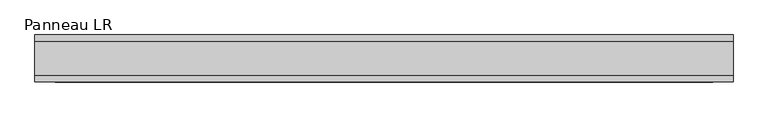
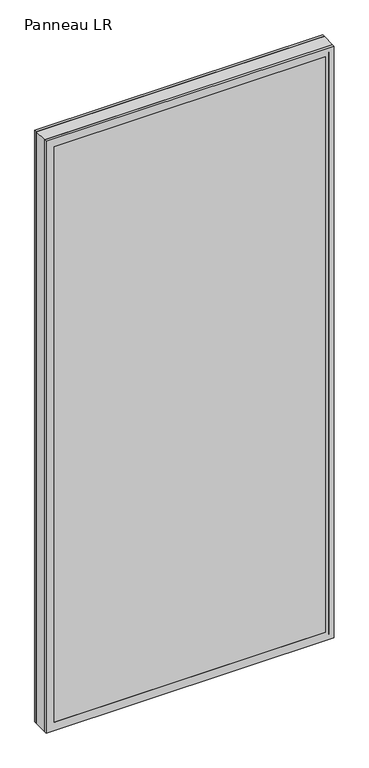
"""IFC4 building model written with IfcOpenShell, lengths in millimetres: plate geometry, Panneau LR."""

from ifc_helpers import new_model, si_unit, frame, origin, place, context, project, spatial, polyline, outline, extrude, faceted_brep, source, transform, mapped, element, save


def panneau_lr_4eda51ce(model_context):
    return source(origin(), model_context, "Body", "SolidModel", [
        faceted_brep([(-670.6250001, 33.0, 2910.0), (-670.6250001, 45.0, 2910.0), (-670.6250001, 45.0, 0.0), (-670.6250001, 33.0, 0.0), (670.6250001, 33.0, 0.0), (670.6250001, 45.0, 0.0), (670.6250001, 45.0, 2910.0), (670.6250001, 33.0, 2910.0), (-631.6250001, 45.0, 2871.0), (-631.6250001, 45.0, 39.0), (631.6250001, 45.0, 39.0), (631.6250001, 45.0, 2871.0), (631.6250001, 43.8, 2871.0), (-631.6250001, 43.8, 2871.0), (-646.6250001, 43.8, 2886.0), (-646.6250001, 43.8, 24.0), (646.6250001, 43.8, 24.0), (646.6250001, 43.8, 2886.0), (631.6250001, 43.8, 39.0), (-631.6250001, 43.8, 39.0), (646.6250001, 33.0, 2886.0), (-646.6250001, 33.0, 2886.0), (646.6250001, 33.0, 24.0), (-646.6250001, 33.0, 24.0)], [[[0, 1, 2, 3]], [[4, 5, 6, 7]], [[6, 1, 0, 7]], [[2, 1, 6, 5], [8, 9, 10, 11]], [[8, 11, 12, 13]], [[14, 15, 16, 17], [13, 12, 18, 19]], [[14, 17, 20, 21]], [[0, 3, 4, 7], [20, 22, 23, 21]], [[23, 22, 16, 15]], [[19, 18, 10, 9]], [[4, 3, 2, 5]], [[21, 23, 15, 14]], [[13, 19, 9, 8]], [[18, 12, 11, 10]], [[22, 20, 17, 16]]]),
        faceted_brep([(-670.6250001, -33.0, 0.0), (-670.6250001, -45.0, 0.0), (-670.6250001, -45.0, 2910.0), (-670.6250001, -33.0, 2910.0), (670.6250001, -45.0, 0.0), (670.6250001, -33.0, 0.0), (670.6250001, -33.0, 2910.0), (670.6250001, -45.0, 2910.0), (631.6250001, -45.0, 2871.0), (631.6250001, -45.0, 39.0), (-631.6250001, -45.0, 39.0), (-631.6250001, -45.0, 2871.0), (-646.6250001, -33.0, 2886.0), (-646.6250001, -33.0, 24.0), (646.6250001, -33.0, 24.0), (646.6250001, -33.0, 2886.0), (646.6250001, -43.8, 2886.0), (-646.6250001, -43.8, 2886.0), (646.6250001, -43.8, 24.0), (-646.6250001, -43.8, 24.0), (-631.6250001, -43.8, 2871.0), (-631.6250001, -43.8, 39.0), (631.6250001, -43.8, 39.0), (631.6250001, -43.8, 2871.0)], [[[0, 1, 2, 3]], [[4, 5, 6, 7]], [[2, 1, 4, 7], [8, 9, 10, 11]], [[6, 3, 2, 7]], [[0, 3, 6, 5], [12, 13, 14, 15]], [[12, 15, 16, 17]], [[17, 16, 18, 19], [20, 21, 22, 23]], [[8, 11, 20, 23]], [[10, 9, 22, 21]], [[19, 18, 14, 13]], [[4, 1, 0, 5]], [[11, 10, 21, 20]], [[17, 19, 13, 12]], [[18, 16, 15, 14]], [[9, 8, 23, 22]]]),
        extrude(outline(polyline([(2910.0, 670.6250001), (2910.0, -670.6250001), (0.0, -670.6250001), (0.0, 670.6250001), (2910.0, 670.6250001)]), holes=[polyline([(46.0, -630.6250001), (2864.0, -630.6250001), (2864.0, 630.6250001), (46.0, 630.6250001), (46.0, -630.6250001)])]), frame((0.0, -33.0, 0.0), z_axis=(0.0, 1.0, 0.0), x_axis=(0.0, 0.0, 1.0)), (0.0, 0.0, 1.0), 66.0),
        extrude(outline(polyline([(646.6250001, 37.8), (-646.6250001, 37.8), (-646.6250001, 43.8), (646.6250001, 43.8), (646.6250001, 37.8)])), frame((0.0, 0.0, 24.0), z_axis=(0.0, 0.0, 1.0), x_axis=(1.0, 0.0, 0.0)), (0.0, 0.0, 1.0), 2862.0),
        extrude(outline(polyline([(-646.6250001, -43.8), (-646.6250001, -37.8), (646.6250001, -37.8), (646.6250001, -43.8), (-646.6250001, -43.8)])), frame((0.0, 0.0, 24.0), z_axis=(0.0, 0.0, 1.0), x_axis=(1.0, 0.0, 0.0)), (0.0, 0.0, 1.0), 2862.0),
    ])


if __name__ == "__main__":
    model = new_model("IFC4")
    model_context = context("Model", 3, world=origin())
    ifc_project = project(units=[si_unit("LENGTHUNIT", "METRE", prefix="MILLI")], contexts=[model_context])
    site = spatial("IfcSite", under=ifc_project)
    building = spatial("IfcBuilding", under=site)
    placement = place(None, origin())
    panneau_lr_shape = panneau_lr_4eda51ce(model_context)
    element("IfcPlate", 1, ObjectType="Panneau LR", at=placement, inside=building, context=model_context, shape_type="MappedRepresentation", body=[
        mapped(panneau_lr_shape, transform((0.0, 0.0, 0.0), x_axis=(1.0, 0.0, 0.0), y_axis=(0.0, 1.0, 0.0), z_axis=(0.0, 0.0, 1.0))),
    ])
    save(model, "model.ifc")
